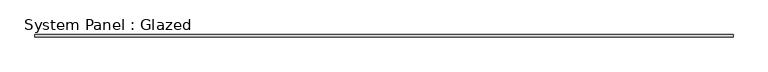
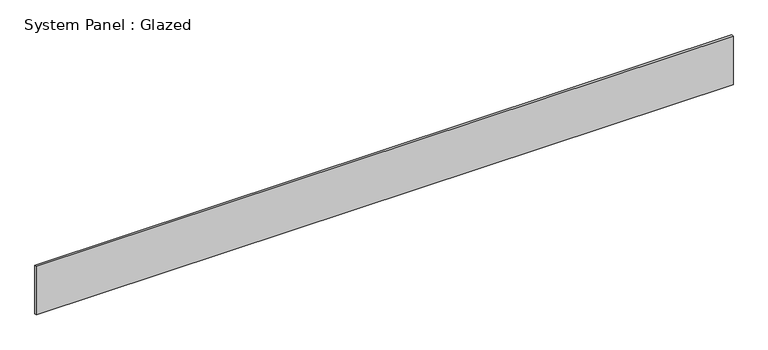
"""IFC4 building model written with IfcOpenShell, lengths in millimetres: plate geometry, System Panel : Glazed."""

from ifc_helpers import new_model, si_unit, origin, origin_with_axes, place, context, project, spatial, polyline, outline, extrude, source, transform, mapped, element, save


def system_panel_glazed_0a3d04f8(model_context):
    return source(origin(), model_context, "Body", "SweptSolid", [
        extrude(outline(polyline([(3975.1, 19.05), (-3975.1, 19.05), (-3975.1, 44.45), (3975.1, 44.45), (3975.1, 19.05)])), origin_with_axes(), (0.0, 0.0, 1.0), 584.2),
    ])


if __name__ == "__main__":
    model = new_model("IFC4")
    model_context = context("Model", 3, world=origin())
    ifc_project = project(units=[si_unit("LENGTHUNIT", "METRE", prefix="MILLI")], contexts=[model_context])
    site = spatial("IfcSite", under=ifc_project)
    building = spatial("IfcBuilding", under=site)
    placement = place(None, origin())
    system_panel_glazed_shape = system_panel_glazed_0a3d04f8(model_context)
    element("IfcPlate", 1, ObjectType="System Panel : Glazed", at=placement, inside=building, context=model_context, shape_type="MappedRepresentation", body=[
        mapped(system_panel_glazed_shape, transform((0.0, 0.0, 0.0), x_axis=(1.0, 0.0, 0.0), y_axis=(0.0, 1.0, 0.0), z_axis=(0.0, 0.0, 1.0))),
    ])
    save(model, "model.ifc")
